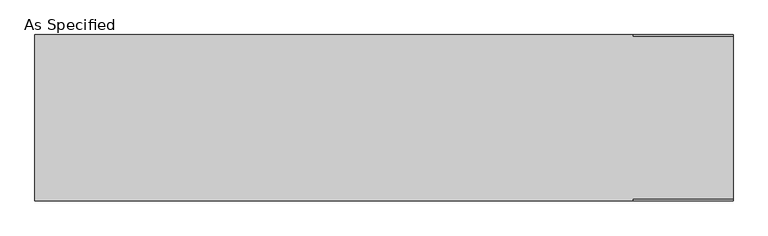
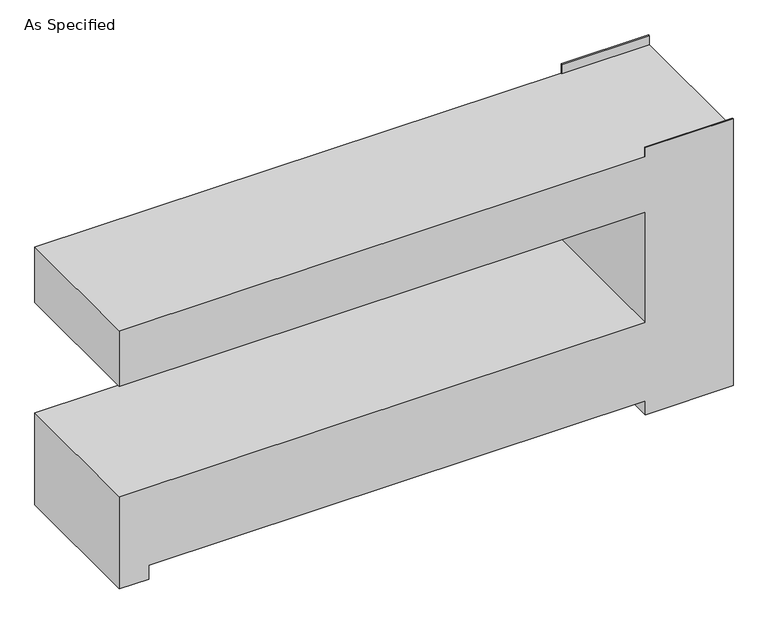
"""IFC4 building model written with IfcOpenShell, lengths in millimetres: proxy geometry, As Specified."""

from ifc_helpers import new_model, si_unit, origin, place, context, project, spatial, faceted_brep, source, transform, mapped, element, save


def as_specified_7ad7ae6a(model_context):
    return source(origin(), model_context, "Body", "Brep", [
        faceted_brep([(-1600.2, 381.0, 1422.4), (-1600.2, -381.0, 1422.4), (1143.0, -381.0, 1422.4), (1143.0, -374.65, 1422.4), (1600.2, -374.65, 1422.4), (1600.2, 374.65, 1422.4), (1143.0, 374.65, 1422.4), (1143.0, 381.0, 1422.4), (1600.2, 381.0, 0.0), (1600.2, -381.0, 0.0), (1143.0, -381.0, 0.0), (1143.0, 381.0, 0.0), (-1600.2, -381.0, 0.0), (-1600.2, 381.0, 0.0), (-1447.8, 381.0, 0.0), (-1447.8, -381.0, 0.0), (1143.0, 381.0, 76.2), (-1447.8, 381.0, 76.2), (-1600.2, 381.0, 508.0), (1143.0, 381.0, 508.0), (1143.0, 381.0, 1117.6), (-1600.2, 381.0, 1117.6), (1143.0, 381.0, 1473.2), (1600.2, 381.0, 1473.2), (-1600.2, -381.0, 1117.6), (-1600.2, -381.0, 508.0), (-1447.8, -381.0, 76.2), (1143.0, -381.0, 76.2), (1600.2, -381.0, 1473.2), (1143.0, -381.0, 1473.2), (1143.0, -381.0, 1117.6), (1143.0, -381.0, 508.0), (1600.2, 374.65, 1473.2), (1600.2, -374.65, 1473.2), (1143.0, -374.65, 1473.2), (1143.0, 374.65, 1473.2)], [[[0, 1, 2, 3, 4, 5, 6, 7]], [[8, 9, 10, 11]], [[12, 13, 14, 15]], [[8, 11, 16, 17, 14, 13, 18, 19, 20, 21, 0, 7, 22, 23]], [[1, 0, 21, 24]], [[13, 12, 25, 18]], [[25, 12, 15, 26, 27, 10, 9, 28, 29, 2, 1, 24, 30, 31]], [[9, 8, 23, 32, 5, 4, 33, 28]], [[31, 19, 18, 25]], [[19, 31, 30, 20]], [[20, 30, 24, 21]], [[17, 26, 15, 14]], [[27, 16, 11, 10]], [[26, 17, 16, 27]], [[29, 34, 3, 2]], [[34, 29, 28, 33]], [[3, 34, 33, 4]], [[22, 7, 6, 35]], [[22, 35, 32, 23]], [[35, 6, 5, 32]]]),
    ])


if __name__ == "__main__":
    model = new_model("IFC4")
    model_context = context("Model", 3, world=origin())
    ifc_project = project(units=[si_unit("LENGTHUNIT", "METRE", prefix="MILLI")], contexts=[model_context])
    site = spatial("IfcSite", under=ifc_project)
    building = spatial("IfcBuilding", under=site)
    placement = place(None, origin())
    as_specified_shape = as_specified_7ad7ae6a(model_context)
    element("IfcBuildingElementProxy", 1, Name="As Specified", ObjectType="As Specified", at=placement, inside=building, context=model_context, shape_type="MappedRepresentation", body=[
        mapped(as_specified_shape, transform((0.0, 0.0, 0.0), x_axis=(1.0, 0.0, 0.0), y_axis=(0.0, 1.0, 0.0), z_axis=(0.0, 0.0, 1.0))),
    ])
    save(model, "model.ifc")
